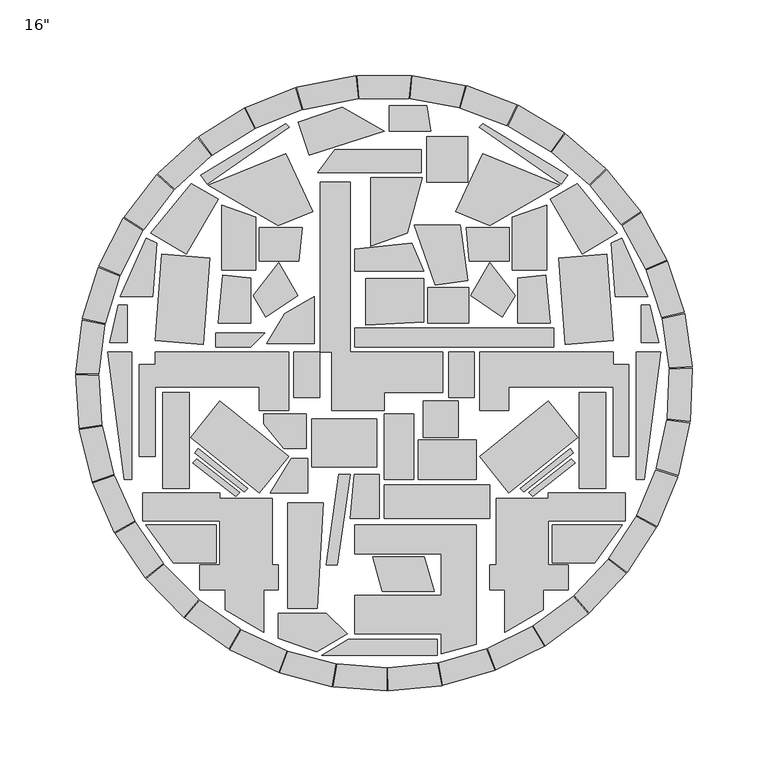
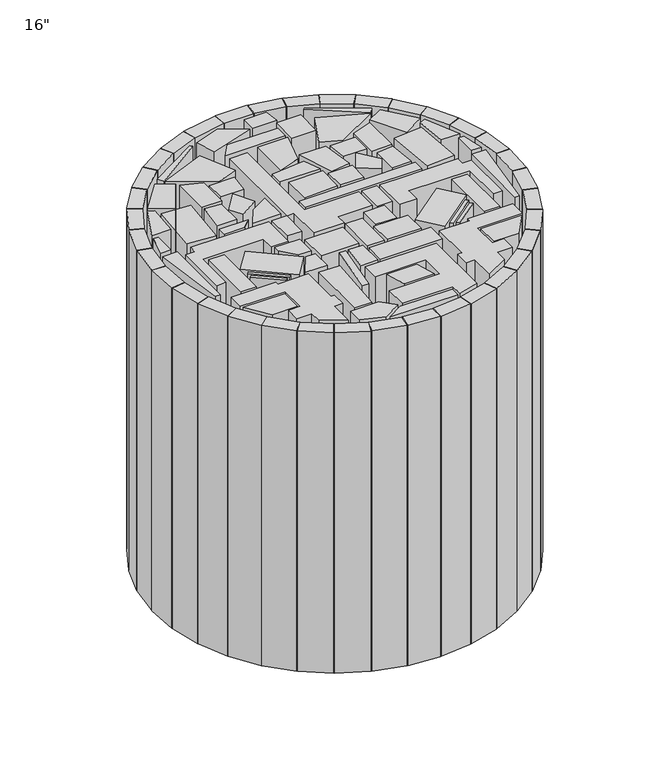
"""IFC4 building model written with IfcOpenShell, lengths in millimetres: furniture geometry."""

from ifc_helpers import new_model, si_unit, point, origin, origin_with_axes, origin_2d, place, context, project, spatial, polyline, circle_curve, trimmed, segment, composite_curve, outline, extrude, source, transform, mapped, element, save


def furniture_bbbcfb8a(model_context):
    return source(origin(), model_context, "Body", "SweptSolid", [
        extrude(outline(polyline([(55.2294897, 162.3345202), (55.2294897, 132.4309409), (28.2182451, 132.4309409), (28.2182451, 162.3345202), (55.2294897, 162.3345202)])), origin_with_axes(), (0.0, 0.0, 1.0), 406.4001575),
        extrude(outline(polyline([(111.9581289, 35.9968082), (111.9581289, 23.6215227), (-19.5156192, 23.6215227), (-19.5156192, 35.9968082), (111.9581289, 35.9968082)])), origin_with_axes(), (0.0, 0.0, 1.0), 406.4001575),
        extrude(outline(polyline([(82.1793058, 20.3810853), (150.9542875, 20.3810853), (150.9542875, 12.1129202), (161.354668, 12.1129202), (161.354668, -48.5334401), (150.9542875, -48.5334401), (150.9542875, -2.8953677), (82.1793058, -2.8953677), (82.1793058, -18.210217), (62.8968478, -18.210217), (62.8968478, 20.3810853), (82.1793058, 20.3810853)])), origin_with_axes(), (0.0, 0.0, 1.0), 406.4001575),
        extrude(outline(polyline([(59.4381522, 20.3810853), (59.4381522, -9.7341004), (42.5649689, -9.7341004), (42.5649689, 20.3810853), (59.4381522, 20.3810853)])), origin_with_axes(), (0.0, 0.0, 1.0), 406.4001575),
        extrude(outline(polyline([(0.0, -6.4202616), (0.0, -18.210217), (-34.3752774, -18.210217), (-34.3752774, 20.3810853), (-42.0595603, 20.3810853), (-42.0595603, 132.4309409), (-22.4523337, 132.4309409), (-22.4523337, 20.3810853), (0.0, 20.3810853), (38.7928903, 20.3810853), (38.7928903, -6.4202616), (0.0, -6.4202616)])), origin_with_axes(), (0.0, 0.0, 1.0), 406.4001575),
        extrude(outline(polyline([(146.064035, -6.4202616), (146.064035, -69.5304125), (128.5920476, -69.5304125), (128.5920476, -6.4202616), (146.064035, -6.4202616)])), origin_with_axes(), (0.0, 0.0, 1.0), 406.4001575),
        extrude(outline(polyline([(115.8854827, 130.4505514), (69.6788764, 103.7731548), (47.1469093, 112.8766604), (64.93992, 151.0338948), (115.8854827, 130.4505514)])), origin_with_axes(), (0.0, 0.0, 1.0), 406.4001575),
        extrude(outline(polyline([(116.7361653, 130.9416932), (62.6863418, 168.787787), (64.8872069, 170.9886521), (121.0267028, 137.0692158), (116.7361653, 130.9416932)])), origin_with_axes(), (0.0, 0.0, 1.0), 406.4001575),
        extrude(outline(polyline([(153.8506872, 98.869211), (130.5251917, 84.7736231), (109.522025, 121.1151459), (127.2424961, 131.356392), (153.8506872, 98.869211)])), origin_with_axes(), (0.0, 0.0, 1.0), 406.4001575),
        extrude(outline(polyline([(146.709778, 84.7809176), (151.0462809, 27.7956805), (119.3503281, 25.3836595), (115.0138251, 82.3688965), (146.709778, 84.7809176)])), origin_with_axes(), (0.0, 0.0, 1.0), 406.4001575),
        extrude(outline(polyline([(180.9362854, 26.592469), (169.5140693, 26.592469), (169.5140693, 51.3414686), (175.2225286, 51.3414686), (180.9362854, 26.592469)])), origin_with_axes(), (0.0, 0.0, 1.0), 406.4001575),
        extrude(outline(polyline([(166.270337, 20.3810853), (182.3702963, 20.3810853), (171.427446, -63.7000097), (166.270337, -63.7000097), (166.270337, 20.3810853)])), origin_with_axes(), (0.0, 0.0, 1.0), 406.4001575),
        extrude(outline(polyline([(127.5414702, -36.1868812), (82.1792607, -72.5727662), (62.8968478, -48.5334208), (108.2590573, -12.1475359), (127.5414702, -36.1868812)])), origin_with_axes(), (0.0, 0.0, 1.0), 406.4001575),
        extrude(outline(polyline([(124.8608946, -46.1237255), (92.088629, -71.9299758), (89.805225, -69.6465719), (122.6428211, -43.3069159), (124.8608946, -46.1237255)])), origin_with_axes(), (0.0, 0.0, 1.0), 406.4001575),
        extrude(outline(polyline([(126.0321556, -52.8137434), (97.8546323, -75.0019017), (95.2799395, -72.4272089), (123.4574628, -50.2390506), (126.0321556, -52.8137434)])), origin_with_axes(), (0.0, 0.0, 1.0), 406.4001575),
        extrude(outline(polyline([(157.1164516, -93.6896008), (139.0130349, -118.8543818), (110.7259393, -118.8543818), (110.7259393, -93.6896008), (157.1164516, -93.6896008)])), origin_with_axes(), (0.0, 0.0, 1.0), 406.4001575),
        extrude(outline(polyline([(104.8444717, -136.678806), (104.8444717, -149.9597417), (79.4695081, -164.6099838), (79.4695081, -136.678806), (69.7363029, -136.678806), (69.7363029, -120.1652584), (73.8601193, -120.1652584), (73.8601193, -76.297768), (108.2590081, -76.297768), (108.2590081, -72.5727502), (159.0046461, -72.5727502), (159.0046461, -91.0649028), (108.2590081, -91.0649028), (108.2590081, -120.1652584), (121.5069528, -120.1652584), (121.5069528, -136.678806), (104.8444717, -136.678806)])), origin_with_axes(), (0.0, 0.0, 1.0), 406.4001575),
        extrude(outline(polyline([(84.4886629, 109.3810783), (107.0879175, 117.1626257), (107.0879175, 74.2902575), (84.4886629, 74.2902575), (84.4886629, 109.3810783)])), origin_with_axes(), (0.0, 0.0, 1.0), 406.4001575),
        extrude(outline(polyline([(109.5220159, 39.589365), (87.9516679, 39.5893703), (87.9516752, 69.2114089), (106.4154552, 71.035447), (109.5220159, 39.589365)])), origin_with_axes(), (0.0, 0.0, 1.0), 406.4001575),
        extrude(outline(polyline([(86.3344039, 57.696605), (78.032414, 43.3171366), (56.9748596, 57.5206364), (69.5095762, 79.2314024), (86.3344039, 57.696605)])), origin_with_axes(), (0.0, 0.0, 1.0), 406.4001575),
        extrude(outline(polyline([(82.4853816, 80.3399836), (56.2070622, 80.3399954), (54.0258325, 102.4194385), (82.4853816, 102.4194385), (82.4853816, 80.3399836)])), origin_with_axes(), (0.0, 0.0, 1.0), 406.4001575),
        extrude(outline(polyline([(50.0357189, 104.1568031), (55.2294897, 67.3995238), (33.5629853, 64.338066), (19.8522946, 104.1568031), (50.0357189, 104.1568031)])), origin_with_axes(), (0.0, 0.0, 1.0), 406.4001575),
        extrude(outline(polyline([(25.2006044, 135.4780543), (15.3395988, 98.6762803), (-8.7935036, 90.3665868), (-8.7935036, 135.4780543), (25.2006044, 135.4780543)])), origin_with_axes(), (0.0, 0.0, 1.0), 406.4001575),
        extrude(outline(polyline([(3.2373908, 166.0467458), (3.2373908, 182.7508962), (28.2182451, 182.7508962), (30.5785266, 166.0467458), (3.2373908, 166.0467458)])), origin_with_axes(), (0.0, 0.0, 1.0), 406.4001575),
        extrude(outline(polyline([(24.4953462, 153.8806045), (24.4953462, 138.6674264), (-43.7187921, 138.6674264), (-32.6546538, 153.8806045), (24.4953462, 153.8806045)])), origin_with_axes(), (0.0, 0.0, 1.0), 406.4001575),
        extrude(outline(polyline([(26.0485703, 39.9549556), (-11.9992025, 37.9609563), (-11.9992025, 68.8021257), (26.0485703, 68.8021257), (26.0485703, 39.9549556)])), origin_with_axes(), (0.0, 0.0, 1.0), 406.4001575),
        extrude(outline(polyline([(55.8737294, 39.5893849), (28.9229204, 39.5893849), (28.9229204, 62.8401203), (55.8737294, 62.8401203), (55.8737294, 39.5893849)])), origin_with_axes(), (0.0, 0.0, 1.0), 406.4001575),
        extrude(outline(polyline([(18.375665, 92.1933597), (26.0485703, 73.6479234), (-19.5156192, 73.6479234), (-19.5156192, 88.2108252), (18.375665, 92.1933597)])), origin_with_axes(), (0.0, 0.0, 1.0), 406.4001575),
        extrude(outline(polyline([(173.9409243, 56.8927067), (152.4848922, 56.8927067), (149.7950448, 92.2395267), (156.701763, 95.3366596), (173.9409243, 56.8927067)])), origin_with_axes(), (0.0, 0.0, 1.0), 406.4001575),
        extrude(outline(polyline([(-82.1793058, 20.3810853), (-62.8968478, 20.3810853), (-62.8968478, -18.210217), (-82.1793058, -18.210217), (-82.1793058, -2.8953677), (-150.9542875, -2.8953677), (-150.9542875, -48.5334401), (-161.354668, -48.5334401), (-161.354668, 12.1129202), (-150.9542875, 12.1129202), (-150.9542875, 20.3810853), (-82.1793058, 20.3810853)])), origin_with_axes(), (0.0, 0.0, 1.0), 406.4001575),
        extrude(outline(polyline([(-59.4381522, 20.3810853), (-42.5649689, 20.3810853), (-42.5649689, -9.7341004), (-59.4381522, -9.7341004), (-59.4381522, 20.3810853)])), origin_with_axes(), (0.0, 0.0, 1.0), 406.4001575),
        extrude(outline(polyline([(-146.064035, -6.4202616), (-128.5920476, -6.4202616), (-128.5920476, -69.5304125), (-146.064035, -69.5304125), (-146.064035, -6.4202616)])), origin_with_axes(), (0.0, 0.0, 1.0), 406.4001575),
        extrude(outline(polyline([(-115.8854827, 130.4505514), (-64.93992, 151.0338948), (-47.1469093, 112.8766604), (-69.6788764, 103.7731548), (-115.8854827, 130.4505514)])), origin_with_axes(), (0.0, 0.0, 1.0), 406.4001575),
        extrude(outline(polyline([(-116.7361653, 130.9416932), (-121.0267028, 137.0692158), (-64.8872069, 170.9886521), (-62.6863418, 168.787787), (-116.7361653, 130.9416932)])), origin_with_axes(), (0.0, 0.0, 1.0), 406.4001575),
        extrude(outline(polyline([(-153.8506872, 98.869211), (-127.2424961, 131.356392), (-109.522025, 121.1151459), (-130.5251917, 84.7736231), (-153.8506872, 98.869211)])), origin_with_axes(), (0.0, 0.0, 1.0), 406.4001575),
        extrude(outline(polyline([(-146.709778, 84.7809176), (-115.0138251, 82.3688965), (-119.3503281, 25.3836595), (-151.0462809, 27.7956805), (-146.709778, 84.7809176)])), origin_with_axes(), (0.0, 0.0, 1.0), 406.4001575),
        extrude(outline(polyline([(-180.9362854, 26.592469), (-175.2225286, 51.3414686), (-169.5140693, 51.3414686), (-169.5140693, 26.592469), (-180.9362854, 26.592469)])), origin_with_axes(), (0.0, 0.0, 1.0), 406.4001575),
        extrude(outline(polyline([(-166.270337, 20.3810853), (-166.270337, -63.7000097), (-171.427446, -63.7000097), (-182.3702963, 20.3810853), (-166.270337, 20.3810853)])), origin_with_axes(), (0.0, 0.0, 1.0), 406.4001575),
        extrude(outline(polyline([(-127.5414702, -36.1868812), (-108.2590573, -12.1475359), (-62.8968478, -48.5334208), (-82.1792607, -72.5727662), (-127.5414702, -36.1868812)])), origin_with_axes(), (0.0, 0.0, 1.0), 406.4001575),
        extrude(outline(polyline([(-124.8608946, -46.1237255), (-122.6428211, -43.3069159), (-89.805225, -69.6465719), (-92.088629, -71.9299758), (-124.8608946, -46.1237255)])), origin_with_axes(), (0.0, 0.0, 1.0), 406.4001575),
        extrude(outline(polyline([(-126.0321556, -52.8137434), (-123.4574628, -50.2390506), (-95.2799395, -72.4272089), (-97.8546323, -75.0019017), (-126.0321556, -52.8137434)])), origin_with_axes(), (0.0, 0.0, 1.0), 406.4001575),
        extrude(outline(polyline([(-157.1164516, -93.6896008), (-110.7259393, -93.6896008), (-110.7259393, -118.8543818), (-139.0130349, -118.8543818), (-157.1164516, -93.6896008)])), origin_with_axes(), (0.0, 0.0, 1.0), 406.4001575),
        extrude(outline(polyline([(-104.8444717, -136.678806), (-121.5069528, -136.678806), (-121.5069528, -120.1652584), (-108.2590081, -120.1652584), (-108.2590081, -91.0649028), (-159.0046461, -91.0649028), (-159.0046461, -72.5727502), (-108.2590081, -72.5727502), (-108.2590081, -76.297768), (-73.8601193, -76.297768), (-73.8601193, -120.1652584), (-69.7363029, -120.1652584), (-69.7363029, -136.678806), (-79.4695081, -136.678806), (-79.4695081, -164.6099838), (-104.8444717, -149.9597417), (-104.8444717, -136.678806)])), origin_with_axes(), (0.0, 0.0, 1.0), 406.4001575),
        extrude(outline(polyline([(-84.4886629, 109.3810783), (-84.4886629, 74.2902575), (-107.0879175, 74.2902575), (-107.0879175, 117.1626257), (-84.4886629, 109.3810783)])), origin_with_axes(), (0.0, 0.0, 1.0), 406.4001575),
        extrude(outline(polyline([(-109.5220159, 39.589365), (-106.4154552, 71.035447), (-87.9516752, 69.2114089), (-87.9516679, 39.5893703), (-109.5220159, 39.589365)])), origin_with_axes(), (0.0, 0.0, 1.0), 406.4001575),
        extrude(outline(polyline([(-86.3344039, 57.696605), (-69.5095762, 79.2314024), (-56.9748596, 57.5206364), (-78.032414, 43.3171366), (-86.3344039, 57.696605)])), origin_with_axes(), (0.0, 0.0, 1.0), 406.4001575),
        extrude(outline(polyline([(-82.4853816, 80.3399836), (-82.4853816, 102.4194385), (-54.0258325, 102.4194385), (-56.2070622, 80.3399954), (-82.4853816, 80.3399836)])), origin_with_axes(), (0.0, 0.0, 1.0), 406.4001575),
        extrude(outline(polyline([(-173.9409243, 56.8927067), (-156.701763, 95.3366596), (-149.7950448, 92.2395267), (-152.4848922, 56.8927067), (-173.9409243, 56.8927067)])), origin_with_axes(), (0.0, 0.0, 1.0), 406.4001575),
        extrude(outline(polyline([(-49.3094578, 150.1608225), (-56.7743695, 171.8405003), (-27.4963066, 181.9217458), (0.0, 166.0467458), (-49.3094578, 150.1608225)])), origin_with_axes(), (0.0, 0.0, 1.0), 406.4001575),
        extrude(outline(polyline([(-45.9336214, 25.9707986), (-77.4240727, 25.9707986), (-65.5991223, 45.5388245), (-45.9336214, 56.8927067), (-45.9336214, 25.9707986)])), origin_with_axes(), (0.0, 0.0, 1.0), 406.4001575),
        extrude(outline(polyline([(-78.5622468, 32.9775679), (-87.951664, 23.5881508), (-111.102777, 23.5881508), (-111.102777, 32.9775679), (-78.5622468, 32.9775679)])), origin_with_axes(), (0.0, 0.0, 1.0), 406.4001575),
        extrude(outline(polyline([(-4.7481514, -55.6556983), (-47.5834903, -55.6556983), (-47.5834903, -23.7477675), (-4.7481514, -23.7477675), (-4.7481514, -55.6556983)])), origin_with_axes(), (0.0, 0.0, 1.0), 406.4001575),
        extrude(outline(polyline([(37.7957948, -140.2946651), (37.7957948, -112.7462772), (-19.5157004, -112.7462772), (-19.5157004, -93.6896008), (60.6845792, -93.6896008), (60.6845792, -172.5178149), (37.7957948, -178.9413876), (37.7957948, -165.631336), (-19.5157004, -165.631336), (-19.5157004, -140.2946651), (37.7957948, -140.2946651)])), origin_with_axes(), (0.0, 0.0, 1.0), 406.4001575),
        extrude(outline(polyline([(69.7363029, -67.4585692), (69.7363029, -89.5311307), (0.0, -89.5311307), (0.0, -67.4585692), (69.7363029, -67.4585692)])), origin_with_axes(), (0.0, 0.0, 1.0), 406.4001575),
        extrude(outline(polyline([(26.5177788, -114.98015), (32.8893258, -137.6835538), (-1.2349524, -137.6835538), (-7.6064993, -114.98015), (26.5177788, -114.98015)])), origin_with_axes(), (0.0, 0.0, 1.0), 406.4001575),
        extrude(outline(polyline([(35.1917881, -179.6721834), (-41.090398, -179.6721834), (-23.5236502, -169.2041592), (35.1917881, -169.2041592), (35.1917881, -179.6721834)])), origin_with_axes(), (0.0, 0.0, 1.0), 406.4001575),
        extrude(outline(polyline([(-63.4293937, -148.9713928), (-63.4293937, -79.1213928), (-40.0768997, -79.1213928), (-44.0557418, -148.9713928), (-63.4293937, -148.9713928)])), origin_with_axes(), (0.0, 0.0, 1.0), 406.4001575),
        extrude(outline(polyline([(-38.1073546, -120.1652584), (-29.7551119, -60.3617639), (-22.480703, -60.3617639), (-30.8329458, -120.1652584), (-38.1073546, -120.1652584)])), origin_with_axes(), (0.0, 0.0, 1.0), 406.4001575),
        extrude(outline(polyline([(-22.4269404, -89.5311307), (-19.6310289, -60.3617639), (-3.0696925, -60.3617639), (-3.0696925, -89.5311307), (-22.4269404, -89.5311307)])), origin_with_axes(), (0.0, 0.0, 1.0), 406.4001575),
        extrude(outline(polyline([(-50.4685324, -72.5727502), (-75.1205087, -72.5727502), (-61.2710321, -49.8375183), (-50.4685324, -49.8375183), (-50.4685324, -72.5727502)])), origin_with_axes(), (0.0, 0.0, 1.0), 406.4001575),
        extrude(outline(polyline([(-51.2974886, -20.6445868), (-51.2974886, -43.2756744), (-66.1284049, -43.2756744), (-79.5229181, -27.3127151), (-79.5229181, -20.6445868), (-51.2974886, -20.6445868)])), origin_with_axes(), (0.0, 0.0, 1.0), 406.4001575),
        extrude(outline(polyline([(-44.2680642, -177.4735903), (-69.7363029, -168.7041725), (-69.7363029, -151.9644601), (-38.0620502, -151.9644601), (-24.3951742, -165.631336), (-44.2680642, -177.4735903)])), origin_with_axes(), (0.0, 0.0, 1.0), 406.4001575),
        extrude(outline(polyline([(19.3963746, -20.4907195), (19.3963746, -63.6999293), (0.0, -63.6999293), (0.0, -20.4907195), (19.3963746, -20.4907195)])), origin_with_axes(), (0.0, 0.0, 1.0), 406.4001575),
        extrude(outline(polyline([(60.6845792, -63.6999293), (22.365384, -63.6999293), (22.365384, -37.8318487), (60.6845792, -37.8318487), (60.6845792, -63.6999293)])), origin_with_axes(), (0.0, 0.0, 1.0), 406.4001575),
        extrude(outline(polyline([(25.642351, -36.1868382), (25.642351, -12.1474748), (48.9045684, -12.1474748), (48.9045684, -36.1868382), (25.642351, -36.1868382)])), origin_with_axes(), (0.0, 0.0, 1.0), 406.4001575),
        extrude(outline(composite_curve([segment(trimmed(circle_curve(origin_2d(), 203.3472884), [point((18.606606, 202.4942318))], [point((53.4866842, 196.1868862))], False, "CARTESIAN"), True, "CONTINUOUS"), segment(polyline([(53.4866842, 196.1868862), (49.4780885, 181.4835274)]), True, "CONTINUOUS"), segment(trimmed(circle_curve(origin_2d(), 188.1072884), [point((49.4780885, 181.4835274))], [point((17.2121214, 187.3181647))], True, "CARTESIAN"), True, "CONTINUOUS"), segment(polyline([(17.2121214, 187.3181647), (18.606606, 202.4942318)]), True, "CONTINUOUS")], self_intersect=False)), origin_with_axes(), (0.0, 0.0, 1.0), 406.4001575),
        extrude(outline(composite_curve([segment(trimmed(circle_curve(origin_2d(), 188.1072884), [point((16.3946304, 187.3914834))], [point((-16.3946304, 187.3914834))], True, "CARTESIAN"), True, "CONTINUOUS"), segment(polyline([(-16.3946304, 187.3914834), (-17.722884, 202.5734906)]), True, "CONTINUOUS"), segment(trimmed(circle_curve(origin_2d(), 203.3472884), [point((-17.722884, 202.5734906))], [point((17.722884, 202.5734906))], False, "CARTESIAN"), True, "CONTINUOUS"), segment(polyline([(17.722884, 202.5734906), (16.3946304, 187.3914834)]), True, "CONTINUOUS")], self_intersect=False)), origin_with_axes(), (0.0, 0.0, 1.0), 406.4001575),
        extrude(outline(composite_curve([segment(trimmed(circle_curve(origin_2d(), 203.3472884), [point((54.3421991, 195.9516397))], [point((87.5432642, 183.5382702))], False, "CARTESIAN"), True, "CONTINUOUS"), segment(polyline([(87.5432642, 183.5382702), (80.9822751, 169.7828704)]), True, "CONTINUOUS"), segment(trimmed(circle_curve(origin_2d(), 188.1072884), [point((80.9822751, 169.7828704))], [point((50.2694863, 181.2659116))], True, "CARTESIAN"), True, "CONTINUOUS"), segment(polyline([(50.2694863, 181.2659116), (54.3421991, 195.9516397)]), True, "CONTINUOUS")], self_intersect=False)), origin_with_axes(), (0.0, 0.0, 1.0), 406.4001575),
        extrude(outline(composite_curve([segment(trimmed(circle_curve(origin_2d(), 203.3472884), [point((88.3432651, 183.1545447))], [point((118.8055853, 165.0313686))], False, "CARTESIAN"), True, "CONTINUOUS"), segment(polyline([(118.8055853, 165.0313686), (109.9016204, 152.6629811)]), True, "CONTINUOUS"), segment(trimmed(circle_curve(origin_2d(), 188.1072884), [point((109.9016204, 152.6629811))], [point((81.7223193, 169.4279035))], True, "CARTESIAN"), True, "CONTINUOUS"), segment(polyline([(81.7223193, 169.4279035), (88.3432651, 183.1545447)]), True, "CONTINUOUS")], self_intersect=False)), origin_with_axes(), (0.0, 0.0, 1.0), 406.4001575),
        extrude(outline(composite_curve([segment(trimmed(circle_curve(origin_2d(), 203.3472884), [point((119.5245372, 164.5114121))], [point((146.2757979, 141.256896))], False, "CARTESIAN"), True, "CONTINUOUS"), segment(polyline([(146.2757979, 141.256896), (135.3130593, 130.6703025)]), True, "CONTINUOUS"), segment(trimmed(circle_curve(origin_2d(), 188.1072884), [point((135.3130593, 130.6703025))], [point((110.56669, 152.1819931))], True, "CARTESIAN"), True, "CONTINUOUS"), segment(polyline([(110.56669, 152.1819931), (119.5245372, 164.5114121)]), True, "CONTINUOUS")], self_intersect=False)), origin_with_axes(), (0.0, 0.0, 1.0), 406.4001575),
        extrude(outline(composite_curve([segment(trimmed(circle_curve(origin_2d(), 203.3472884), [point((146.890753, 140.6173048))], [point((169.0770911, 112.9737004))], False, "CARTESIAN"), True, "CONTINUOUS"), segment(polyline([(169.0770911, 112.9737004), (156.4054942, 104.5068101)]), True, "CONTINUOUS"), segment(trimmed(circle_curve(origin_2d(), 188.1072884), [point((156.4054942, 104.5068101))], [point((135.8819262, 130.0786458))], True, "CARTESIAN"), True, "CONTINUOUS"), segment(polyline([(135.8819262, 130.0786458), (146.890753, 140.6173048)]), True, "CONTINUOUS")], self_intersect=False)), origin_with_axes(), (0.0, 0.0, 1.0), 406.4001575),
        extrude(outline(composite_curve([segment(trimmed(circle_curve(origin_2d(), 203.3472884), [point((169.5684208, 112.2348894))], [point((186.4816795, 81.0845419))], False, "CARTESIAN"), True, "CONTINUOUS"), segment(polyline([(186.4816795, 81.0845419), (172.5056839, 75.0076061)]), True, "CONTINUOUS"), segment(trimmed(circle_curve(origin_2d(), 188.1072884), [point((172.5056839, 75.0076061))], [point((156.8600009, 103.8233697))], True, "CARTESIAN"), True, "CONTINUOUS"), segment(polyline([(156.8600009, 103.8233697), (169.5684208, 112.2348894)]), True, "CONTINUOUS")], self_intersect=False)), origin_with_axes(), (0.0, 0.0, 1.0), 406.4001575),
        extrude(outline(composite_curve([segment(trimmed(circle_curve(origin_2d(), 203.3472884), [point((186.8337012, 80.2700928))], [point((197.9340328, 46.607278))], False, "CARTESIAN"), True, "CONTINUOUS"), segment(polyline([(197.9340328, 46.607278), (183.0997329, 43.114264)]), True, "CONTINUOUS"), segment(trimmed(circle_curve(origin_2d(), 188.1072884), [point((183.0997329, 43.114264))], [point((172.8313232, 74.2541965))], True, "CARTESIAN"), True, "CONTINUOUS"), segment(polyline([(172.8313232, 74.2541965), (186.8337012, 80.2700928)]), True, "CONTINUOUS")], self_intersect=False)), origin_with_axes(), (0.0, 0.0, 1.0), 406.4001575),
        extrude(outline(composite_curve([segment(trimmed(circle_curve(origin_2d(), 203.3472884), [point((198.1355106, 45.7431869))], [point((203.068608, 10.6423748))], False, "CARTESIAN"), True, "CONTINUOUS"), segment(polyline([(203.068608, 10.6423748), (187.8494939, 9.8447748)]), True, "CONTINUOUS"), segment(trimmed(circle_curve(origin_2d(), 188.1072884), [point((187.8494939, 9.8447748))], [point((183.2861108, 42.3149329))], True, "CARTESIAN"), True, "CONTINUOUS"), segment(polyline([(183.2861108, 42.3149329), (198.1355106, 45.7431869)]), True, "CONTINUOUS")], self_intersect=False)), origin_with_axes(), (0.0, 0.0, 1.0), 406.4001575),
        extrude(outline(composite_curve([segment(trimmed(circle_curve(origin_2d(), 203.3472884), [point((203.113111, 9.7562223))], [point((201.7215166, -25.6622182))], False, "CARTESIAN"), True, "CONTINUOUS"), segment(polyline([(201.7215166, -25.6622182), (186.6033612, -23.7389459)]), True, "CONTINUOUS"), segment(trimmed(circle_curve(origin_2d(), 188.1072884), [point((186.6033612, -23.7389459))], [point((187.8906615, 9.0250357))], True, "CARTESIAN"), True, "CONTINUOUS"), segment(polyline([(187.8906615, 9.0250357), (203.113111, 9.7562223)]), True, "CONTINUOUS")], self_intersect=False)), origin_with_axes(), (0.0, 0.0, 1.0), 406.4001575),
        extrude(outline(composite_curve([segment(trimmed(circle_curve(origin_2d(), 203.3472884), [point((201.6076242, -26.5421473))], [point((193.9357559, -61.1477089))], False, "CARTESIAN"), True, "CONTINUOUS"), segment(polyline([(193.9357559, -61.1477089), (179.4011095, -56.5649526)]), True, "CONTINUOUS"), segment(trimmed(circle_curve(origin_2d(), 188.1072884), [point((179.4011095, -56.5649526))], [point((186.4980045, -24.5529281))], True, "CARTESIAN"), True, "CONTINUOUS"), segment(polyline([(186.4980045, -24.5529281), (201.6076242, -26.5421473)]), True, "CONTINUOUS")], self_intersect=False)), origin_with_axes(), (0.0, 0.0, 1.0), 406.4001575),
        extrude(outline(composite_curve([segment(trimmed(circle_curve(origin_2d(), 203.3472884), [point((193.6671034, -61.9933285))], [point((179.9598364, -94.6814502))], False, "CARTESIAN"), True, "CONTINUOUS"), segment(polyline([(179.9598364, -94.6814502), (166.4726248, -87.5854849)]), True, "CONTINUOUS"), segment(trimmed(circle_curve(origin_2d(), 188.1072884), [point((166.4726248, -87.5854849))], [point((179.1525914, -57.3471966))], True, "CARTESIAN"), True, "CONTINUOUS"), segment(polyline([(179.1525914, -57.3471966), (193.6671034, -61.9933285)]), True, "CONTINUOUS")], self_intersect=False)), origin_with_axes(), (0.0, 0.0, 1.0), 406.4001575),
        extrude(outline(composite_curve([segment(trimmed(circle_curve(origin_2d(), 203.3472884), [point((179.5449988, -95.4657693))], [point((160.23985, -125.1930916))], False, "CARTESIAN"), True, "CONTINUOUS"), segment(polyline([(160.23985, -125.1930916), (148.2305661, -115.8104107)]), True, "CONTINUOUS"), segment(trimmed(circle_curve(origin_2d(), 188.1072884), [point((148.2305661, -115.8104107))], [point((166.0888775, -88.3110227))], True, "CARTESIAN"), True, "CONTINUOUS"), segment(polyline([(166.0888775, -88.3110227), (179.5449988, -95.4657693)]), True, "CONTINUOUS")], self_intersect=False)), origin_with_axes(), (0.0, 0.0, 1.0), 406.4001575),
        extrude(outline(composite_curve([segment(trimmed(circle_curve(origin_2d(), 203.3472884), [point((159.6920685, -125.8910759))], [point((135.4052312, -151.7087442))], False, "CARTESIAN"), True, "CONTINUOUS"), segment(polyline([(135.4052312, -151.7087442), (125.2571946, -140.3388298)]), True, "CONTINUOUS"), segment(trimmed(circle_curve(origin_2d(), 188.1072884), [point((125.2571946, -140.3388298))], [point((147.7238384, -116.4560841))], True, "CARTESIAN"), True, "CONTINUOUS"), segment(polyline([(147.7238384, -116.4560841), (159.6920685, -125.8910759)]), True, "CONTINUOUS")], self_intersect=False)), origin_with_axes(), (0.0, 0.0, 1.0), 406.4001575),
        extrude(outline(composite_curve([segment(trimmed(circle_curve(origin_2d(), 203.3472884), [point((134.7419901, -152.298115))], [point((106.2486663, -173.3820654))], False, "CARTESIAN"), True, "CONTINUOUS"), segment(polyline([(106.2486663, -173.3820654), (98.2857882, -160.3878293)]), True, "CONTINUOUS"), segment(trimmed(circle_curve(origin_2d(), 188.1072884), [point((98.2857882, -160.3878293))], [point((124.6436605, -140.8840298))], True, "CARTESIAN"), True, "CONTINUOUS"), segment(polyline([(124.6436605, -140.8840298), (134.7419901, -152.298115)]), True, "CONTINUOUS")], self_intersect=False)), origin_with_axes(), (0.0, 0.0, 1.0), 406.4001575),
        extrude(outline(composite_curve([segment(trimmed(circle_curve(origin_2d(), 203.3472884), [point((105.4911354, -173.8440108))], [point((73.7007923, -189.521273))], False, "CARTESIAN"), True, "CONTINUOUS"), segment(polyline([(73.7007923, -189.521273), (68.1772366, -175.3174731)]), True, "CONTINUOUS"), segment(trimmed(circle_curve(origin_2d(), 188.1072884), [point((68.1772366, -175.3174731))], [point((97.5850309, -160.8151538))], True, "CARTESIAN"), True, "CONTINUOUS"), segment(polyline([(97.5850309, -160.8151538), (105.4911354, -173.8440108)]), True, "CONTINUOUS")], self_intersect=False)), origin_with_axes(), (0.0, 0.0, 1.0), 406.4001575),
        extrude(outline(composite_curve([segment(trimmed(circle_curve(origin_2d(), 203.3472884), [point((72.8731508, -189.8410483))], [point((38.8004918, -199.611226))], False, "CARTESIAN"), True, "CONTINUOUS"), segment(polyline([(38.8004918, -199.611226), (35.8925627, -184.6512277)]), True, "CONTINUOUS"), segment(trimmed(circle_curve(origin_2d(), 188.1072884), [point((35.8925627, -184.6512277))], [point((67.4116233, -175.6132826))], True, "CARTESIAN"), True, "CONTINUOUS"), segment(polyline([(67.4116233, -175.6132826), (72.8731508, -189.8410483)]), True, "CONTINUOUS")], self_intersect=False)), origin_with_axes(), (0.0, 0.0, 1.0), 406.4001575),
        extrude(outline(composite_curve([segment(trimmed(circle_curve(origin_2d(), 203.3472884), [point((37.929157, -199.7786244))], [point((2.6617338, -203.3298672))], False, "CARTESIAN"), True, "CONTINUOUS"), segment(polyline([(2.6617338, -203.3298672), (2.4622483, -188.0911728)]), True, "CONTINUOUS"), segment(trimmed(circle_curve(origin_2d(), 188.1072884), [point((2.4622483, -188.0911728))], [point((35.0865306, -184.8060803))], True, "CARTESIAN"), True, "CONTINUOUS"), segment(polyline([(35.0865306, -184.8060803), (37.929157, -199.7786244)]), True, "CONTINUOUS")], self_intersect=False)), origin_with_axes(), (0.0, 0.0, 1.0), 406.4001575),
        extrude(outline(composite_curve([segment(trimmed(circle_curve(origin_2d(), 203.3472884), [point((1.7745173, -203.3395456))], [point((-33.5619831, -200.5585027))], False, "CARTESIAN"), True, "CONTINUOUS"), segment(polyline([(-33.5619831, -200.5585027), (-31.0466576, -185.5275101)]), True, "CONTINUOUS"), segment(trimmed(circle_curve(origin_2d(), 188.1072884), [point((-31.0466576, -185.5275101))], [point((1.6415249, -188.1001259))], True, "CARTESIAN"), True, "CONTINUOUS"), segment(polyline([(1.6415249, -188.1001259), (1.7745173, -203.3395456)]), True, "CONTINUOUS")], self_intersect=False)), origin_with_axes(), (0.0, 0.0, 1.0), 406.4001575),
        extrude(outline(composite_curve([segment(trimmed(circle_curve(origin_2d(), 203.3472884), [point((-34.4367624, -200.4101522))], [point((-68.7144483, -191.3855906))], False, "CARTESIAN"), True, "CONTINUOUS"), segment(polyline([(-68.7144483, -191.3855906), (-63.5645975, -177.0420682)]), True, "CONTINUOUS"), segment(trimmed(circle_curve(origin_2d(), 188.1072884), [point((-63.5645975, -177.0420682))], [point((-31.855876, -185.3902779))], True, "CARTESIAN"), True, "CONTINUOUS"), segment(polyline([(-31.855876, -185.3902779), (-34.4367624, -200.4101522)]), True, "CONTINUOUS")], self_intersect=False)), origin_with_axes(), (0.0, 0.0, 1.0), 406.4001575),
        extrude(outline(composite_curve([segment(trimmed(circle_curve(origin_2d(), 203.3472884), [point((-69.5488687, -191.0839464))], [point((-101.6736442, -176.1039176))], False, "CARTESIAN"), True, "CONTINUOUS"), segment(polyline([(-101.6736442, -176.1039176), (-94.0536442, -162.9056904)]), True, "CONTINUOUS"), segment(trimmed(circle_curve(origin_2d(), 188.1072884), [point((-94.0536442, -162.9056904))], [point((-64.3364818, -176.7630309))], True, "CARTESIAN"), True, "CONTINUOUS"), segment(polyline([(-64.3364818, -176.7630309), (-69.5488687, -191.0839464)]), True, "CONTINUOUS")], self_intersect=False)), origin_with_axes(), (0.0, 0.0, 1.0), 406.4001575),
        extrude(outline(composite_curve([segment(trimmed(circle_curve(origin_2d(), 203.3472884), [point((-102.4410722, -175.6586076))], [point((-131.3875593, -155.2012532))], False, "CARTESIAN"), True, "CONTINUOUS"), segment(polyline([(-131.3875593, -155.2012532), (-121.5406298, -143.5695903)]), True, "CONTINUOUS"), segment(trimmed(circle_curve(origin_2d(), 188.1072884), [point((-121.5406298, -143.5695903))], [point((-94.7635568, -162.4937545))], True, "CARTESIAN"), True, "CONTINUOUS"), segment(polyline([(-94.7635568, -162.4937545), (-102.4410722, -175.6586076)]), True, "CONTINUOUS")], self_intersect=False)), origin_with_axes(), (0.0, 0.0, 1.0), 406.4001575),
        extrude(outline(composite_curve([segment(trimmed(circle_curve(origin_2d(), 203.3472884), [point((-132.0634996, -154.6264912))], [point((-156.9077667, -129.3447813))], False, "CARTESIAN"), True, "CONTINUOUS"), segment(polyline([(-156.9077667, -129.3447813), (-145.1482081, -119.6509493)]), True, "CONTINUOUS"), segment(trimmed(circle_curve(origin_2d(), 188.1072884), [point((-145.1482081, -119.6509493))], [point((-122.1659114, -143.0379043))], True, "CARTESIAN"), True, "CONTINUOUS"), segment(polyline([(-122.1659114, -143.0379043), (-132.0634996, -154.6264912)]), True, "CONTINUOUS")], self_intersect=False)), origin_with_axes(), (0.0, 0.0, 1.0), 406.4001575),
        extrude(outline(composite_curve([segment(trimmed(circle_curve(origin_2d(), 203.3472884), [point((-157.4706444, -128.6589129))], [point((-177.4196972, -99.3598045))], False, "CARTESIAN"), True, "CONTINUOUS"), segment(polyline([(-177.4196972, -99.3598045), (-164.1228581, -91.9132168)]), True, "CONTINUOUS"), segment(trimmed(circle_curve(origin_2d(), 188.1072884), [point((-164.1228581, -91.9132168))], [point((-145.6689005, -119.0164837))], True, "CARTESIAN"), True, "CONTINUOUS"), segment(polyline([(-145.6689005, -119.0164837), (-157.4706444, -128.6589129)]), True, "CONTINUOUS")], self_intersect=False)), origin_with_axes(), (0.0, 0.0, 1.0), 406.4001575),
        extrude(outline(composite_curve([segment(trimmed(circle_curve(origin_2d(), 203.3472884), [point((-177.8515459, -98.5847217))], [point((-192.2686385, -66.2034014))], False, "CARTESIAN"), True, "CONTINUOUS"), segment(polyline([(-192.2686385, -66.2034014), (-177.8589354, -61.2417427)]), True, "CONTINUOUS"), segment(trimmed(circle_curve(origin_2d(), 188.1072884), [point((-177.8589354, -61.2417427))], [point((-164.5223415, -91.1962231))], True, "CARTESIAN"), True, "CONTINUOUS"), segment(polyline([(-164.5223415, -91.1962231), (-177.8515459, -98.5847217)]), True, "CONTINUOUS")], self_intersect=False)), origin_with_axes(), (0.0, 0.0, 1.0), 406.4001575),
        extrude(outline(composite_curve([segment(trimmed(circle_curve(origin_2d(), 203.3472884), [point((-192.5556742, -65.3638437))], [point((-200.9806332, -30.9338781))], False, "CARTESIAN"), True, "CONTINUOUS"), segment(polyline([(-200.9806332, -30.9338781), (-185.9180037, -28.6155177)]), True, "CONTINUOUS"), segment(trimmed(circle_curve(origin_2d(), 188.1072884), [point((-185.9180037, -28.6155177))], [point((-178.124459, -60.4651062))], True, "CARTESIAN"), True, "CONTINUOUS"), segment(polyline([(-178.124459, -60.4651062), (-192.5556742, -65.3638437)]), True, "CONTINUOUS")], self_intersect=False)), origin_with_axes(), (0.0, 0.0, 1.0), 406.4001575),
        extrude(outline(composite_curve([segment(trimmed(circle_curve(origin_2d(), 203.3472884), [point((-201.113694, -30.056643))], [point((-203.2776064, 5.3230115))], False, "CARTESIAN"), True, "CONTINUOUS"), segment(polyline([(-203.2776064, 5.3230115), (-188.0428288, 4.9240748)]), True, "CONTINUOUS"), segment(trimmed(circle_curve(origin_2d(), 188.1072884), [point((-188.0428288, 4.9240748))], [point((-186.0410923, -27.8040275))], True, "CARTESIAN"), True, "CONTINUOUS"), segment(polyline([(-186.0410923, -27.8040275), (-201.113694, -30.056643)]), True, "CONTINUOUS")], self_intersect=False)), origin_with_axes(), (0.0, 0.0, 1.0), 406.4001575),
        extrude(outline(composite_curve([segment(trimmed(circle_curve(origin_2d(), 203.3472884), [point((-203.2524454, 6.2099239))], [point((-199.0862421, 41.4099979))], False, "CARTESIAN"), True, "CONTINUOUS"), segment(polyline([(-199.0862421, 41.4099979), (-184.1655891, 38.3064976)]), True, "CONTINUOUS"), segment(trimmed(circle_curve(origin_2d(), 188.1072884), [point((-184.1655891, 38.3064976))], [point((-188.0195535, 5.7445169))], True, "CARTESIAN"), True, "CONTINUOUS"), segment(polyline([(-188.0195535, 5.7445169), (-203.2524454, 6.2099239)]), True, "CONTINUOUS")], self_intersect=False)), origin_with_axes(), (0.0, 0.0, 1.0), 406.4001575),
        extrude(outline(composite_curve([segment(trimmed(circle_curve(origin_2d(), 203.3472884), [point((-198.9036623, 42.2782786))], [point((-188.5403227, 76.175235))], False, "CARTESIAN"), True, "CONTINUOUS"), segment(polyline([(-188.5403227, 76.175235), (-174.4100408, 70.4662305)]), True, "CONTINUOUS"), segment(trimmed(circle_curve(origin_2d(), 188.1072884), [point((-174.4100408, 70.4662305))], [point((-183.9966929, 39.1097044))], True, "CARTESIAN"), True, "CONTINUOUS"), segment(polyline([(-183.9966929, 39.1097044), (-198.9036623, 42.2782786)]), True, "CONTINUOUS")], self_intersect=False)), origin_with_axes(), (0.0, 0.0, 1.0), 406.4001575),
        extrude(outline(composite_curve([segment(trimmed(circle_curve(origin_2d(), 203.3472884), [point((-188.2061518, 76.9971696))], [point((-171.9764593, 108.5090649))], False, "CARTESIAN"), True, "CONTINUOUS"), segment(polyline([(-171.9764593, 108.5090649), (-159.0875673, 100.3767797)]), True, "CONTINUOUS"), segment(trimmed(circle_curve(origin_2d(), 188.1072884), [point((-159.0875673, 100.3767797))], [point((-174.1009146, 71.2265647))], True, "CARTESIAN"), True, "CONTINUOUS"), segment(polyline([(-174.1009146, 71.2265647), (-188.2061518, 76.9971696)]), True, "CONTINUOUS")], self_intersect=False)), origin_with_axes(), (0.0, 0.0, 1.0), 406.4001575),
        extrude(outline(composite_curve([segment(trimmed(circle_curve(origin_2d(), 203.3472884), [point((-171.5013636, 109.2584184))], [point((-149.9233473, 137.3794368))], False, "CARTESIAN"), True, "CONTINUOUS"), segment(polyline([(-149.9233473, 137.3794368), (-138.6872407, 127.0834421)]), True, "CONTINUOUS"), segment(trimmed(circle_curve(origin_2d(), 188.1072884), [point((-138.6872407, 127.0834421))], [point((-158.648078, 101.0699724))], True, "CARTESIAN"), True, "CONTINUOUS"), segment(polyline([(-158.648078, 101.0699724), (-171.5013636, 109.2584184)]), True, "CONTINUOUS")], self_intersect=False)), origin_with_axes(), (0.0, 0.0, 1.0), 406.4001575),
        extrude(outline(composite_curve([segment(trimmed(circle_curve(origin_2d(), 203.3472884), [point((-149.3224911, 138.032291))], [point((-123.0848912, 161.8648488))], False, "CARTESIAN"), True, "CONTINUOUS"), segment(polyline([(-123.0848912, 161.8648488), (-113.8602108, 149.7337783)]), True, "CONTINUOUS"), segment(trimmed(circle_curve(origin_2d(), 188.1072884), [point((-113.8602108, 149.7337783))], [point((-138.1314161, 127.6873676))], True, "CARTESIAN"), True, "CONTINUOUS"), segment(polyline([(-138.1314161, 127.6873676), (-149.3224911, 138.032291)]), True, "CONTINUOUS")], self_intersect=False)), origin_with_axes(), (0.0, 0.0, 1.0), 406.4001575),
        extrude(outline(composite_curve([segment(trimmed(circle_curve(origin_2d(), 203.3472884), [point((-122.3774531, 162.4003654))], [point((-92.3177371, 181.1837607))], False, "CARTESIAN"), True, "CONTINUOUS"), segment(polyline([(-92.3177371, 181.1837607), (-85.3989219, 167.6048212)]), True, "CONTINUOUS"), segment(trimmed(circle_curve(origin_2d(), 188.1072884), [point((-85.3989219, 167.6048212))], [point((-113.2057921, 150.2291602))], True, "CARTESIAN"), True, "CONTINUOUS"), segment(polyline([(-113.2057921, 150.2291602), (-122.3774531, 162.4003654)]), True, "CONTINUOUS")], self_intersect=False)), origin_with_axes(), (0.0, 0.0, 1.0), 406.4001575),
        extrude(outline(composite_curve([segment(trimmed(circle_curve(origin_2d(), 203.3472884), [point((-91.5262975, 181.5848468))], [point((-58.6039297, 194.7195397))], False, "CARTESIAN"), True, "CONTINUOUS"), segment(polyline([(-58.6039297, 194.7195397), (-54.2118185, 180.1261522)]), True, "CONTINUOUS"), segment(trimmed(circle_curve(origin_2d(), 188.1072884), [point((-54.2118185, 180.1261522))], [point((-84.6667973, 167.9758477))], True, "CARTESIAN"), True, "CONTINUOUS"), segment(polyline([(-84.6667973, 167.9758477), (-91.5262975, 181.5848468)]), True, "CONTINUOUS")], self_intersect=False)), origin_with_axes(), (0.0, 0.0, 1.0), 406.4001575),
        extrude(outline(composite_curve([segment(polyline([(-53.4253564, 180.3609804), (-57.7537502, 194.9733932)]), True, "CONTINUOUS"), segment(trimmed(circle_curve(origin_2d(), 203.3472884), [point((-57.7537502, 194.9733932))], [point((-18.606606, 202.4942318))], False, "CARTESIAN"), True, "CONTINUOUS"), segment(polyline([(-18.606606, 202.4942318), (-17.2121214, 187.3181647)]), True, "CONTINUOUS"), segment(trimmed(circle_curve(origin_2d(), 188.1072884), [point((-17.2121214, 187.3181647))], [point((-53.4253564, 180.3609804))], True, "CARTESIAN"), True, "CONTINUOUS")], self_intersect=False)), origin_with_axes(), (0.0, 0.0, 1.0), 406.4001575),
    ])


if __name__ == "__main__":
    model = new_model("IFC4")
    model_context = context("Model", 3, world=origin())
    ifc_project = project(units=[si_unit("LENGTHUNIT", "METRE", prefix="MILLI")], contexts=[model_context])
    site = spatial("IfcSite", under=ifc_project)
    building = spatial("IfcBuilding", under=site)
    placement = place(None, origin())
    furniture_shape = furniture_bbbcfb8a(model_context)
    element("IfcFurniture", 1, ObjectType="16\"", at=placement, inside=building, context=model_context, shape_type="MappedRepresentation", body=[
        mapped(furniture_shape, transform((0.0, 0.0, 0.0), x_axis=(1.0, 0.0, 0.0), y_axis=(0.0, 1.0, 0.0), z_axis=(0.0, 0.0, 1.0))),
    ])
    save(model, "model.ifc")
